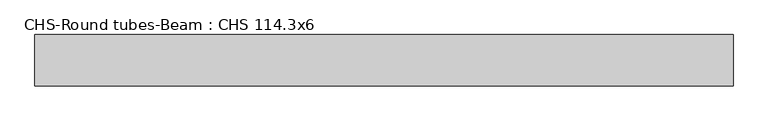
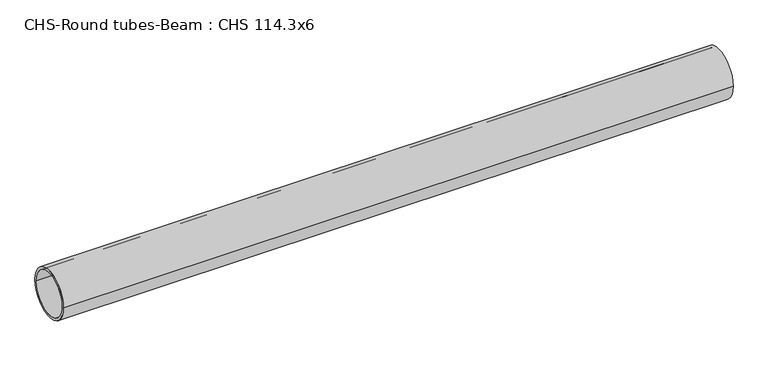
"""IFC4 building model written with IfcOpenShell, lengths in millimetres: beam geometry, CHS-Round tubes-Beam : CHS 114.3x6."""

from ifc_helpers import new_model, si_unit, point, frame, origin, origin_2d, place, context, project, spatial, circle_curve, trimmed, segment, composite_curve, outline, extrude, source, transform, mapped, element, save


def chs_round_tubes_beam_chs_114_3x6_277829c4(model_context):
    return source(origin(), model_context, "Body", "SweptSolid", [
        extrude(outline(composite_curve([segment(trimmed(circle_curve(origin_2d(), 57.15), [point((57.15, 0.0))], [point((-57.15, 0.0))], False, "CARTESIAN"), True, "CONTINUOUS"), segment(trimmed(circle_curve(origin_2d(), 57.15), [point((-57.15, 0.0))], [point((57.15, 0.0))], False, "CARTESIAN"), True, "CONTINUOUS")], self_intersect=False), holes=[composite_curve([segment(trimmed(circle_curve(origin_2d(), 51.15), [point((51.15, 0.0))], [point((-51.15, 0.0))], True, "CARTESIAN"), True, "CONTINUOUS"), segment(trimmed(circle_curve(origin_2d(), 51.15), [point((-51.15, 0.0))], [point((51.15, 0.0))], True, "CARTESIAN"), True, "CONTINUOUS")], self_intersect=False)]), frame((-771.3896267, 0.0, 0.0), z_axis=(1.0, 0.0, 0.0), x_axis=(0.0, 1.0, 0.0)), (0.0, 0.0, 1.0), 1553.4995637),
    ])


if __name__ == "__main__":
    model = new_model("IFC4")
    model_context = context("Model", 3, world=origin())
    ifc_project = project(units=[si_unit("LENGTHUNIT", "METRE", prefix="MILLI")], contexts=[model_context])
    site = spatial("IfcSite", under=ifc_project)
    building = spatial("IfcBuilding", under=site)
    placement = place(None, origin())
    chs_round_tubes_beam_chs_114_3x6_shape = chs_round_tubes_beam_chs_114_3x6_277829c4(model_context)
    element("IfcBeam", 1, ObjectType="CHS-Round tubes-Beam : CHS 114.3x6", at=placement, inside=building, context=model_context, shape_type="MappedRepresentation", body=[
        mapped(chs_round_tubes_beam_chs_114_3x6_shape, transform((0.0, 0.0, 0.0), x_axis=(1.0, 0.0, 0.0), y_axis=(0.0, 1.0, 0.0), z_axis=(0.0, 0.0, 1.0))),
    ])
    save(model, "model.ifc")
